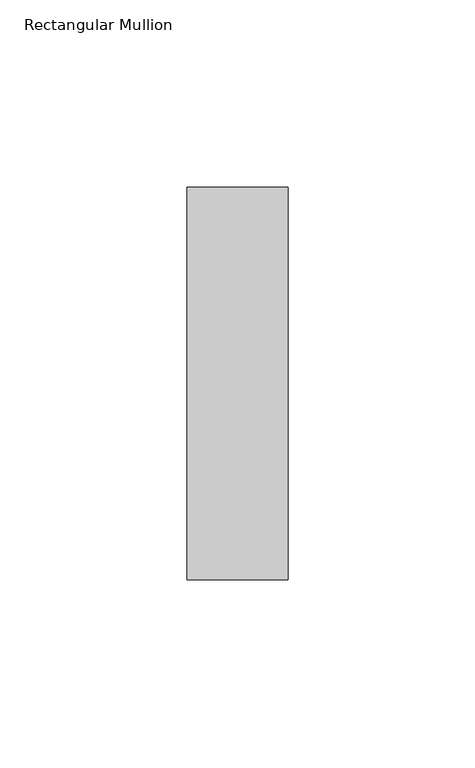
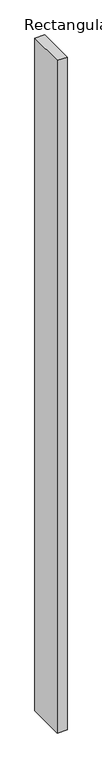
"""IFC4 building model written with IfcOpenShell, lengths in millimetres: member geometry, Rectangular Mullion."""

from ifc_helpers import new_model, si_unit, frame, origin, place, context, project, spatial, polyline, outline, extrude, source, transform, mapped, element, save


def rectangular_mullion_61860b5a(model_context):
    return source(origin(), model_context, "Body", "SweptSolid", [
        extrude(outline(polyline([(-27.0, 52.3975), (0.0, 52.3975), (0.0, -52.3975), (-27.0, -52.3975), (-27.0, 52.3975)])), frame((0.0, 0.0, -1934.098228), z_axis=(0.0, 0.0, 1.0), x_axis=(1.0, 0.0, 0.0)), (0.0, 0.0, 1.0), 1934.098228),
    ])


if __name__ == "__main__":
    model = new_model("IFC4")
    model_context = context("Model", 3, world=origin())
    ifc_project = project(units=[si_unit("LENGTHUNIT", "METRE", prefix="MILLI")], contexts=[model_context])
    site = spatial("IfcSite", under=ifc_project)
    building = spatial("IfcBuilding", under=site)
    placement = place(None, origin())
    rectangular_mullion_shape = rectangular_mullion_61860b5a(model_context)
    element("IfcMember", 1, ObjectType="Rectangular Mullion", at=placement, inside=building, context=model_context, shape_type="MappedRepresentation", body=[
        mapped(rectangular_mullion_shape, transform((0.0, 0.0, 0.0), x_axis=(1.0, 0.0, 0.0), y_axis=(0.0, 1.0, 0.0), z_axis=(0.0, 0.0, 1.0))),
    ])
    save(model, "model.ifc")
